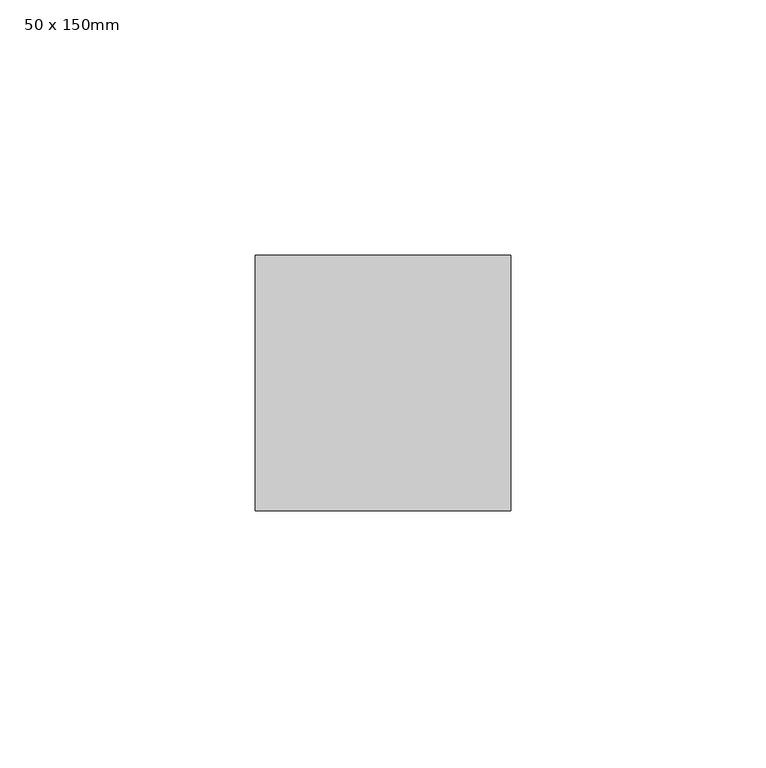
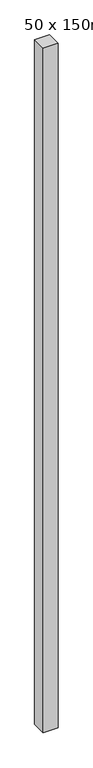
"""IFC4 building model written with IfcOpenShell, lengths in millimetres: member geometry, 50 x 150mm."""

from ifc_helpers import new_model, si_unit, frame, origin, place, context, project, spatial, polyline, outline, extrude, source, transform, mapped, element, save


def member_50_x_150mm_d719ce92(model_context):
    return source(origin(), model_context, "Body", "SweptSolid", [
        extrude(outline(polyline([(25.0, 25.0), (25.0, -25.0), (-25.0, -25.0), (-25.0, 25.0), (25.0, 25.0)])), frame((0.0, 0.0, -2439.2563763), z_axis=(0.0, 0.0, 1.0), x_axis=(1.0, 0.0, 0.0)), (0.0, 0.0, 1.0), 2439.2563763),
    ])


if __name__ == "__main__":
    model = new_model("IFC4")
    model_context = context("Model", 3, world=origin())
    ifc_project = project(units=[si_unit("LENGTHUNIT", "METRE", prefix="MILLI")], contexts=[model_context])
    site = spatial("IfcSite", under=ifc_project)
    building = spatial("IfcBuilding", under=site)
    placement = place(None, origin())
    member_50_x_150mm_shape = member_50_x_150mm_d719ce92(model_context)
    element("IfcMember", 1, ObjectType="50 x 150mm", at=placement, inside=building, context=model_context, shape_type="MappedRepresentation", body=[
        mapped(member_50_x_150mm_shape, transform((0.0, 0.0, 0.0), x_axis=(1.0, 0.0, 0.0), y_axis=(0.0, 1.0, 0.0), z_axis=(0.0, 0.0, 1.0))),
    ])
    save(model, "model.ifc")
